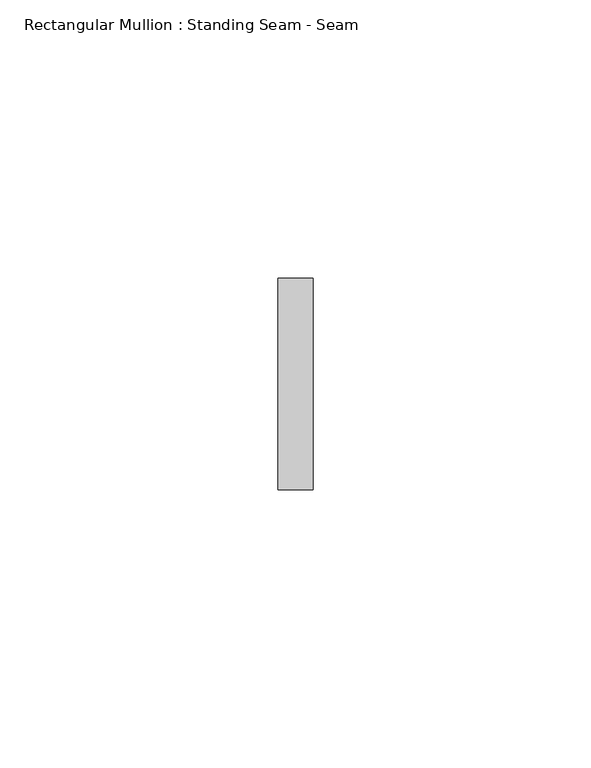
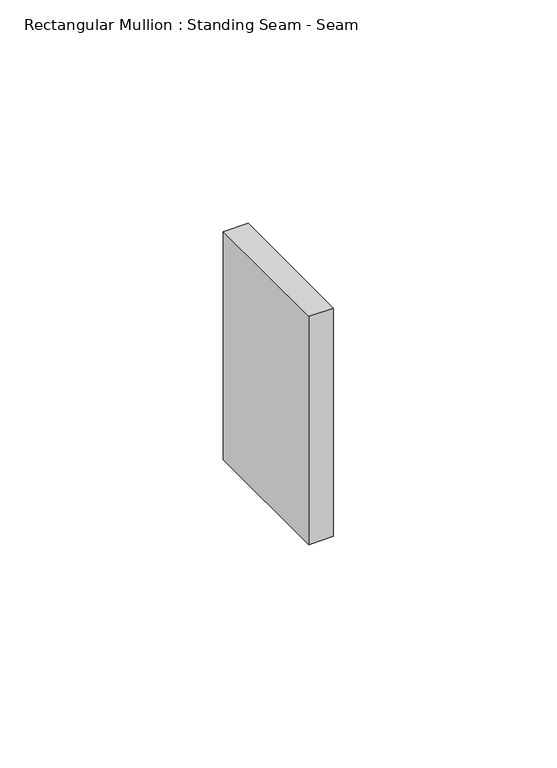
"""IFC4 building model written with IfcOpenShell, lengths in millimetres: member geometry, Rectangular Mullion : Standing Seam - Seam."""

from ifc_helpers import new_model, si_unit, frame, origin, place, context, project, spatial, polyline, outline, extrude, source, transform, mapped, element, save


def rectangular_mullion_standing_seam_seam_737ffa8e(model_context):
    return source(origin(), model_context, "Body", "SweptSolid", [
        extrude(outline(polyline([(3.175, 41.275), (3.175, 3.175), (-3.175, 3.175), (-3.175, 41.275), (3.175, 41.275)])), frame((0.0, 0.0, -62.3770002), z_axis=(0.0, 0.0, 1.0), x_axis=(1.0, 0.0, 0.0)), (0.0, 0.0, 1.0), 62.3770002),
    ])


if __name__ == "__main__":
    model = new_model("IFC4")
    model_context = context("Model", 3, world=origin())
    ifc_project = project(units=[si_unit("LENGTHUNIT", "METRE", prefix="MILLI")], contexts=[model_context])
    site = spatial("IfcSite", under=ifc_project)
    building = spatial("IfcBuilding", under=site)
    placement = place(None, origin())
    rectangular_mullion_standing_seam_seam_shape = rectangular_mullion_standing_seam_seam_737ffa8e(model_context)
    element("IfcMember", 1, ObjectType="Rectangular Mullion : Standing Seam - Seam", at=placement, inside=building, context=model_context, shape_type="MappedRepresentation", body=[
        mapped(rectangular_mullion_standing_seam_seam_shape, transform((0.0, 0.0, 0.0), x_axis=(1.0, 0.0, 0.0), y_axis=(0.0, 1.0, 0.0), z_axis=(0.0, 0.0, 1.0))),
    ])
    save(model, "model.ifc")
